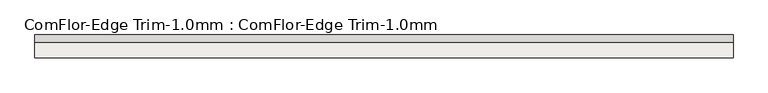
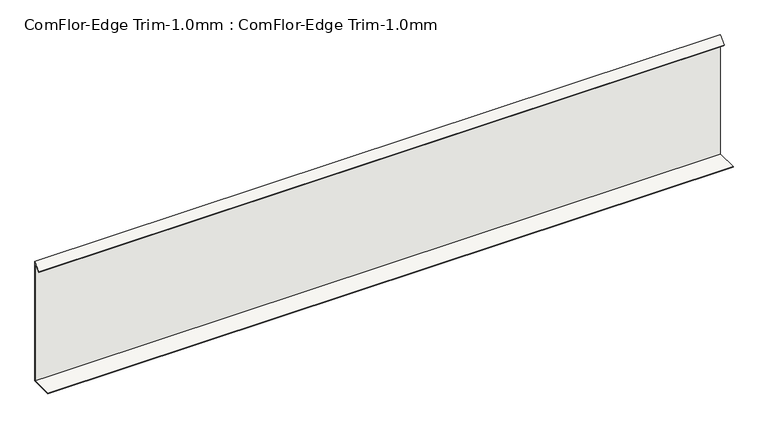
"""IFC4 building model written with IfcOpenShell, lengths in millimetres: slab geometry, ComFlor-Edge Trim-1.0mm : ComFlor-Edge Trim-1.0mm."""

from ifc_helpers import new_model, si_unit, frame, origin, place, context, project, spatial, polyline, outline, extrude, source, transform, mapped, element, save


def comflor_edge_trim_1_0mm_comflor_edge_trim_1_0mm_d2852e50(model_context):
    return source(origin(), model_context, "Body", "SweptSolid", [
        extrude(outline(polyline([(10553.0822033, 0.0), (10553.0822033, 284.1421356), (10538.9400677, 270.0), (10538.2329609, 270.7071068), (10554.0822033, 286.5563492), (10554.0822033, -1.0), (10503.0822033, -1.0), (10503.0822033, 0.0), (10553.0822033, 0.0)])), frame((-13434.6135737, 0.0, 0.0), z_axis=(1.0, 0.0, 0.0), x_axis=(0.0, 1.0, 0.0)), (0.0, 0.0, 1.0), 1560.0),
    ])


if __name__ == "__main__":
    model = new_model("IFC4")
    model_context = context("Model", 3, world=origin())
    ifc_project = project(units=[si_unit("LENGTHUNIT", "METRE", prefix="MILLI")], contexts=[model_context])
    site = spatial("IfcSite", under=ifc_project)
    building = spatial("IfcBuilding", under=site)
    placement = place(None, origin())
    comflor_edge_trim_1_0mm_comflor_edge_trim_1_0mm_shape = comflor_edge_trim_1_0mm_comflor_edge_trim_1_0mm_d2852e50(model_context)
    element("IfcSlab", 1, ObjectType="ComFlor-Edge Trim-1.0mm : ComFlor-Edge Trim-1.0mm", at=placement, inside=building, context=model_context, shape_type="MappedRepresentation", body=[
        mapped(comflor_edge_trim_1_0mm_comflor_edge_trim_1_0mm_shape, transform((0.0, 0.0, 0.0), x_axis=(1.0, 0.0, 0.0), y_axis=(0.0, 1.0, 0.0), z_axis=(0.0, 0.0, 1.0))),
    ])
    save(model, "model.ifc")
